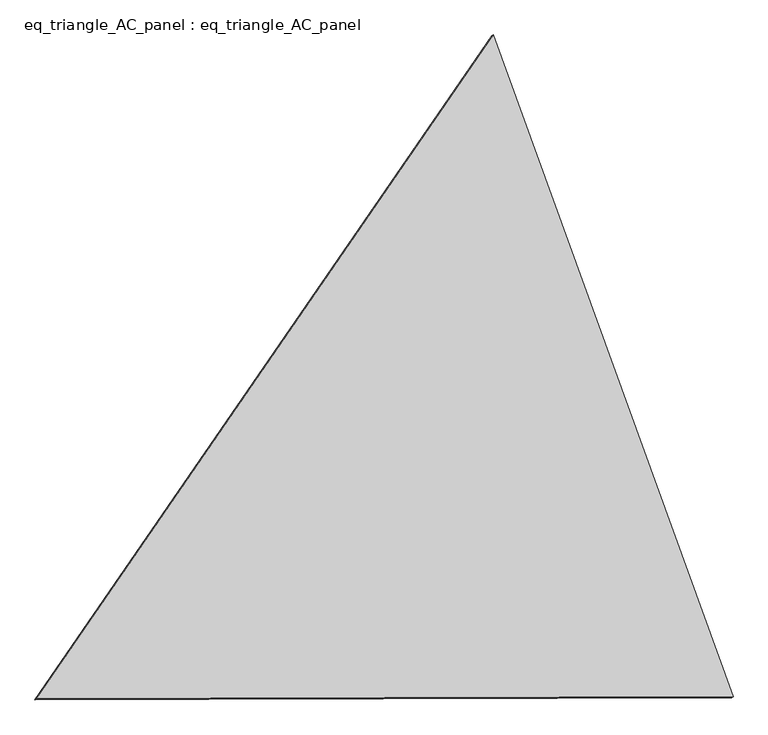
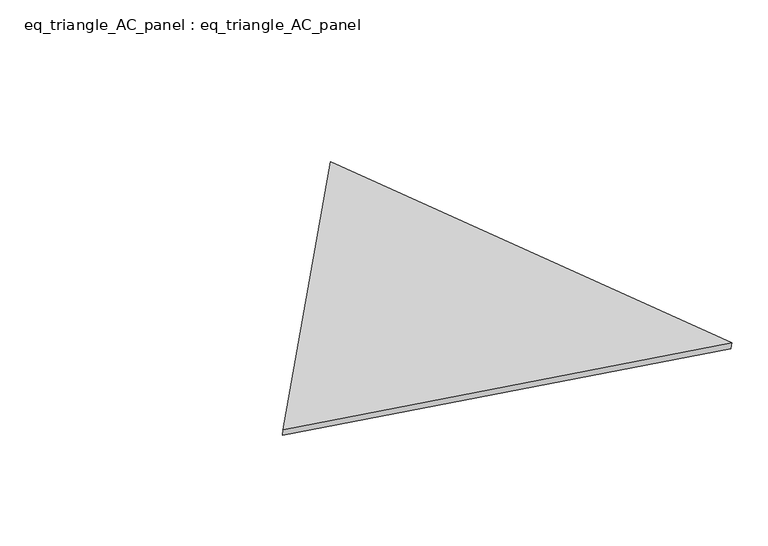
"""IFC4 building model written with IfcOpenShell, lengths in millimetres: proxy geometry, eq_triangle_AC_panel : eq_triangle_AC_panel."""

from ifc_helpers import new_model, si_unit, frame, origin, place, context, project, spatial, polyline, outline, extrude, source, transform, mapped, element, save


def eq_triangle_ac_panel_eq_triangle_ac_panel_4954b6fb(model_context):
    return source(origin(), model_context, "Body", "SweptSolid", [
        extrude(outline(polyline([(-1940.6131339, 1096.950005), (1545.5417543, 1096.950005), (395.0713795, -2193.90001), (-1940.6131339, 1096.950005)])), frame((0.0038051, 527.9290861, 89.8240019), z_axis=(0.14526328518058185, 0.08386570281802169, 0.9858321976225896), x_axis=(0.3407798570288074, -0.9396730988179028, 0.029724676640554015)), (0.0, 0.0, 1.0), 43.8306294),
    ])


if __name__ == "__main__":
    model = new_model("IFC4")
    model_context = context("Model", 3, world=origin())
    ifc_project = project(units=[si_unit("LENGTHUNIT", "METRE", prefix="MILLI")], contexts=[model_context])
    site = spatial("IfcSite", under=ifc_project)
    building = spatial("IfcBuilding", under=site)
    placement = place(None, origin())
    eq_triangle_ac_panel_eq_triangle_ac_panel_shape = eq_triangle_ac_panel_eq_triangle_ac_panel_4954b6fb(model_context)
    element("IfcBuildingElementProxy", 1, Name="eq_triangle_AC_panel : eq_triangle_AC_panel", ObjectType="eq_triangle_AC_panel : eq_triangle_AC_panel", at=placement, inside=building, context=model_context, shape_type="MappedRepresentation", body=[
        mapped(eq_triangle_ac_panel_eq_triangle_ac_panel_shape, transform((0.0, 0.0, 0.0), x_axis=(1.0, 0.0, 0.0), y_axis=(0.0, 1.0, 0.0), z_axis=(0.0, 0.0, 1.0))),
    ])
    save(model, "model.ifc")
